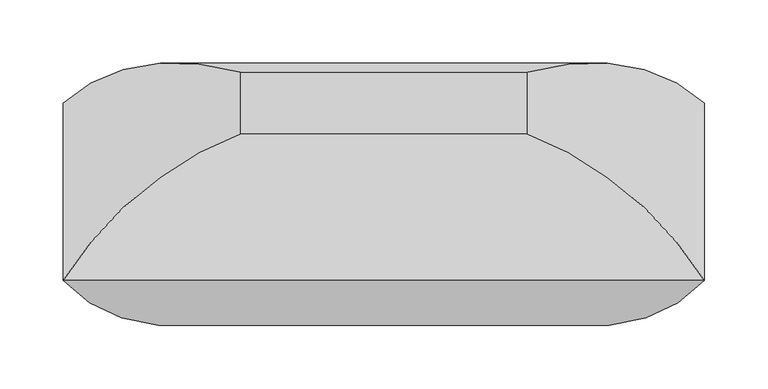
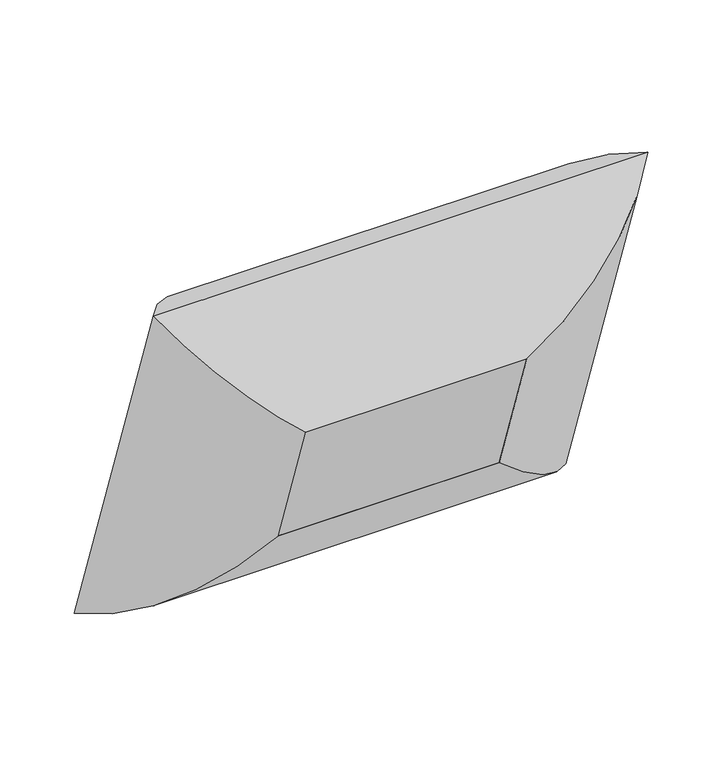
"""IFC4 building model written with IfcOpenShell, lengths in millimetres: furniture geometry."""

import ifcopenshell
import ifcopenshell.guid

model = None  # the IFC model being written
_history = None  # IfcOwnerHistory: only IFC2X3 demands one
_inside = {}  # id of a spatial element -> (the spatial element, [elements in it])
_under = {}  # id of a project, library or spatial element -> (it, [spatial elements below it])
_declared = {}  # id of a project -> (the project, [libraries it declares])
_typed = {}  # id of a type object -> (the type object, [elements of that type])
_made_of = {}  # id of a material, layer set ... -> (it, [elements and type objects made of it])


def new_model(schema):
    """Start an empty IFC model of exactly this schema.

    Asked for "IFC4X3", IfcOpenShell would pick the latest addendum, in which some entities
    have other attributes; the version numbers below select the first issue.
    IFC2X3 requires an IfcOwnerHistory on every rooted entity: one is made here for all.
    """
    global model, _history
    if schema == "IFC4X3":
        model = ifcopenshell.file(schema_version=(4, 3, 0, 0))
    else:
        model = ifcopenshell.file(schema=schema)
    _inside.clear()
    _under.clear()
    _declared.clear()
    _typed.clear()
    _made_of.clear()
    _history = None
    if model.schema == "IFC2X3":
        org = make("IfcOrganization", Name="unknown")
        user = make(
            "IfcPersonAndOrganization",
            ThePerson=make("IfcPerson", FamilyName="unknown"),
            TheOrganization=org,
        )
        app = make(
            "IfcApplication",
            ApplicationDeveloper=org,
            Version="unknown",
            ApplicationFullName="unknown",
            ApplicationIdentifier="unknown",
        )
        _history = make(
            "IfcOwnerHistory",
            OwningUser=user,
            OwningApplication=app,
            ChangeAction="ADDED",
            CreationDate=0,
        )
    return model


def make(cls, **values):
    """One entity of the class cls with the attributes given. An attribute that is None is left unset."""
    return model.create_entity(
        cls, **{name: value for name, value in values.items() if value is not None}
    )


def rooted(cls, **values):
    """An entity with a GlobalId (a new one), such as an element, a storey or a relation."""
    return make(cls, GlobalId=ifcopenshell.guid.new(), OwnerHistory=_history, **values)


def si_unit(unit_type, name, prefix=None):
    """IfcSIUnit, for example si_unit("LENGTHUNIT", "METRE", prefix="MILLI")."""
    return make("IfcSIUnit", UnitType=unit_type, Prefix=prefix, Name=name)


def assignment(units):
    """IfcUnitAssignment: the units of a project."""
    return None if units is None else make("IfcUnitAssignment", Units=units)


def point(xyz):
    """IfcCartesianPoint."""
    return None if xyz is None else make("IfcCartesianPoint", Coordinates=xyz)


def direction(xyz):
    """IfcDirection."""
    return None if xyz is None else make("IfcDirection", DirectionRatios=xyz)


def frame(location, z_axis=None, x_axis=None):
    """IfcAxis2Placement3D, a coordinate frame: its origin and axes. An axis left out is left unset."""
    return make(
        "IfcAxis2Placement3D",
        Location=point(location),
        Axis=direction(z_axis),
        RefDirection=direction(x_axis),
    )


def origin():
    """The frame at (0, 0, 0) with its axes left unset."""
    return frame((0.0, 0.0, 0.0))


def place(relative_to, where):
    """IfcLocalPlacement: puts the frame where relative to a parent placement (None: the world)."""
    return make(
        "IfcLocalPlacement", PlacementRelTo=relative_to, RelativePlacement=where
    )


def context(
    kind, dimensions, precision=None, world=None, true_north=None, identifier=None
):
    """IfcGeometricRepresentationContext, for example the 3D "Model" context."""
    return make(
        "IfcGeometricRepresentationContext",
        ContextIdentifier=identifier,
        ContextType=kind,
        CoordinateSpaceDimension=dimensions,
        Precision=precision,
        WorldCoordinateSystem=world,
        TrueNorth=true_north,
    )


def project(units=None, contexts=None):
    """IfcProject with its units and contexts."""
    return rooted(
        "IfcProject",
        Name="project",
        RepresentationContexts=contexts,
        UnitsInContext=assignment(units),
    )


def spatial(cls, under=None, at=None, **own):
    """A site, building, storey or space (cls), placed at a placement, below another one or the project."""
    s = rooted(cls, ObjectPlacement=at, **own)
    if under is not None:
        _under.setdefault(under.id(), (under, []))[1].append(s)
    return s


def polyline(points):
    """IfcPolyline through the points."""
    return make("IfcPolyline", Points=[point(p) for p in points])


def ellipse_curve(where, semi_axis1, semi_axis2):
    """IfcEllipse in the frame where."""
    return make(
        "IfcEllipse", Position=where, SemiAxis1=semi_axis1, SemiAxis2=semi_axis2
    )


def outline(outer, holes=None, kind="AREA"):
    """IfcArbitraryClosedProfileDef: a profile drawn as a closed curve; with holes, ...WithVoids."""
    if holes is None:
        return make("IfcArbitraryClosedProfileDef", ProfileType=kind, OuterCurve=outer)
    return make(
        "IfcArbitraryProfileDefWithVoids",
        ProfileType=kind,
        OuterCurve=outer,
        InnerCurves=holes,
    )


def extrude(swept, where, along, depth):
    """IfcExtrudedAreaSolid: the profile swept, set in the frame where, extruded along a direction by depth."""
    return make(
        "IfcExtrudedAreaSolid",
        SweptArea=swept,
        Position=where,
        ExtrudedDirection=direction(along),
        Depth=depth,
    )


def shape(context_of_items, identifier, shape_type, items):
    """IfcShapeRepresentation: the items that make up one representation, for example the "Body"."""
    return make(
        "IfcShapeRepresentation",
        ContextOfItems=context_of_items,
        RepresentationIdentifier=identifier,
        RepresentationType=shape_type,
        Items=items,
    )


def source(mapping_origin, context_of_items, identifier, shape_type, items):
    """IfcRepresentationMap: a shape defined once, which mapped items show again and again."""
    return make(
        "IfcRepresentationMap",
        MappingOrigin=mapping_origin,
        MappedRepresentation=shape(context_of_items, identifier, shape_type, items),
    )


def transform(
    local_origin,
    x_axis=None,
    y_axis=None,
    z_axis=None,
    scale=None,
    scale2=None,
    scale3=None,
    uniform=True,
):
    """IfcCartesianTransformationOperator3D, or its non-uniform kind. x_axis, y_axis, z_axis: its Axis1, 2, 3."""
    if uniform:
        return make(
            "IfcCartesianTransformationOperator3D",
            Axis1=direction(x_axis),
            Axis2=direction(y_axis),
            LocalOrigin=point(local_origin),
            Scale=scale,
            Axis3=direction(z_axis),
        )
    return make(
        "IfcCartesianTransformationOperator3DnonUniform",
        Axis1=direction(x_axis),
        Axis2=direction(y_axis),
        LocalOrigin=point(local_origin),
        Scale=scale,
        Axis3=direction(z_axis),
        Scale2=scale2,
        Scale3=scale3,
    )


def mapped(mapping_source, mapping_target):
    """IfcMappedItem: shows the shape of a source again, moved by a transform."""
    return make(
        "IfcMappedItem", MappingSource=mapping_source, MappingTarget=mapping_target
    )


def made_of(thing, what):
    """Note that an element or type object is made of a material, layer set ...; save() writes the relation."""
    if what is not None:
        _made_of.setdefault(what.id(), (what, []))[1].append(thing)
    return thing


def element(
    cls,
    number,
    at=None,
    inside=None,
    cuts=None,
    type_object=None,
    material=None,
    context=None,
    identifier="Body",
    shape_type=None,
    held_by="IfcProductDefinitionShape",
    body=None,
    shapes=None,
    **own,
):
    """One element of the class cls, such as IfcWall. Its Tag is "e" and its number.

    at: its placement. inside: the storey or other place that contains it. cuts: it is an
    opening in that element (IfcRelVoidsElement). A single representation is given by context,
    identifier, shape_type and body (its items); several are given by shapes. held_by: the class
    of the entity that holds the representations. save() writes the other relations.
    """
    e = rooted(cls, Tag="e%d" % number, ObjectPlacement=at, **own)
    if body is not None:
        shapes = [shape(context, identifier, shape_type, body)]
    if shapes is not None:
        e.Representation = make(held_by, Representations=shapes)
    if inside is not None:
        _inside.setdefault(inside.id(), (inside, []))[1].append(e)
    if cuts is not None:
        rooted(
            "IfcRelVoidsElement", RelatingBuildingElement=cuts, RelatedOpeningElement=e
        )
    if type_object is not None:
        _typed.setdefault(type_object.id(), (type_object, []))[1].append(e)
    return made_of(e, material)


def aggregate(whole, parts):
    """IfcRelAggregates: a whole, such as a stair, and the parts it consists of."""
    return rooted("IfcRelAggregates", RelatingObject=whole, RelatedObjects=parts)


def save(model, path):
    """Write the relations noted so far, then the file.

    IfcRelAggregates (storeys below a building ...), IfcRelContainedInSpatialStructure (elements
    in a storey), IfcRelDefinesByType, IfcRelAssociatesMaterial and IfcRelDeclares: one each for
    every whole, place, type object, material and project.
    """
    for whole, parts in _under.values():
        aggregate(whole, parts)
    for where, things in _inside.values():
        rooted(
            "IfcRelContainedInSpatialStructure",
            RelatedElements=things,
            RelatingStructure=where,
        )
    for kind, things in _typed.values():
        rooted("IfcRelDefinesByType", RelatedObjects=things, RelatingType=kind)
    for what, things in _made_of.values():
        rooted("IfcRelAssociatesMaterial", RelatedObjects=things, RelatingMaterial=what)
    for by, libraries in _declared.values():
        rooted("IfcRelDeclares", RelatingContext=by, RelatedDefinitions=libraries)
    model.write(path)


def plane_surface(at):
    """IfcPlane: the flat surface through the origin of the frame at, square to its z axis."""
    return make("IfcPlane", Position=at)


def cylinder_surface(at, radius):
    """IfcCylindricalSurface: all points at the distance radius from the z axis of the frame at."""
    return make("IfcCylindricalSurface", Position=at, Radius=radius)


def advanced_brep(points, edges, surfaces, faces):
    """IfcAdvancedBrep: a solid bounded by faces that lie on surfaces and meet in shared edges.

    An edge is (start, end): straight between two places in points (the first is 0);
    or (start, end, curve); or (start, end, curve, False) where it runs against its curve.
    A face is (place in surfaces, loops), or (place, loops, False) where it looks against
    its surface's normal. A loop lists edges by number (the first is 1), with a minus sign
    where the edge is run from its end to its start. The first loop is the outer one.
    """
    corners = [point(p) for p in points]
    vertices = [make("IfcVertexPoint", VertexGeometry=c) for c in corners]
    made = []
    for start, end, *more in edges:
        made.append(
            make(
                "IfcEdgeCurve",
                EdgeStart=vertices[start],
                EdgeEnd=vertices[end],
                EdgeGeometry=more[0] if more else make("IfcPolyline", Points=[corners[start], corners[end]]),
                SameSense=more[1] if len(more) > 1 else True,
            )
        )
    hull = []
    for where, loops, *sense in faces:
        bounds = []
        for j, loop in enumerate(loops):
            ring = [make("IfcOrientedEdge", EdgeElement=made[abs(k) - 1], Orientation=k > 0) for k in loop]
            bounds.append(
                make(
                    "IfcFaceOuterBound" if j == 0 else "IfcFaceBound",
                    Bound=make("IfcEdgeLoop", EdgeList=ring),
                    Orientation=True,
                )
            )
        hull.append(make("IfcAdvancedFace", Bounds=bounds, FaceSurface=surfaces[where], SameSense=sense[0] if sense else True))
    return make("IfcAdvancedBrep", Outer=make("IfcClosedShell", CfsFaces=hull))


def furniture_6c6e9100(model_context):
    return source(origin(), model_context, "Body", "SolidModel", [
        advanced_brep(
        [(-113.50625, -168.3628069, 681.5749575), (-253.6741804, -140.3681761, 839.4587839), (-253.6741804, 0.0, 431.8), (-113.50625, -119.2630596, 538.9789373), (-113.50625, -24.265776, 731.1915443), (-113.50625, 24.8339713, 588.5955241), (253.6741804, 0.0, 431.8), (113.50625, -119.2630596, 538.9789373), (113.50625, 24.8339713, 588.5955241), (253.6741804, -140.3681761, 839.4587839), (113.50625, -168.3628069, 681.5749575), (113.50625, -24.265776, 731.1915443)],
        [
            (0, 1, ellipse_curve(frame((-108.726504, -2.5797167, 733.6034951), z_axis=(-0.7071067811865478, 0.2302114497550402, -0.6685825965441236), x_axis=(-0.7071067811865474, -0.23021144975504026, 0.6685825965441239)), 245.7274984, 173.7555804)),
            (1, 2),
            (2, 3, ellipse_curve(frame((-108.726504, 43.4077645, 600.0461521), z_axis=(-0.7071067811865472, -0.23021144975504026, 0.6685825965441239), x_axis=(0.7071067811865475, -0.23021144975504026, 0.6685825965441238)), 245.7274984, 173.7555804)),
            (3, 0),
            (4, 0),
            (3, 5),
            (5, 4),
            (1, 4, ellipse_curve(frame((-104.3179464, -197.4752978, 661.8329831), z_axis=(-0.7071067811865478, 0.2302114497550402, -0.6685825965441236), x_axis=(-0.7071067811865474, -0.23021144975504026, 0.6685825965441239)), 263.8641638, 186.5801395)),
            (5, 2, ellipse_curve(frame((-104.3179464, -154.3583886, 536.6123863), z_axis=(-0.7071067811865472, -0.23021144975504026, 0.6685825965441239), x_axis=(0.7071067811865475, -0.23021144975504026, 0.6685825965441238)), 263.8641638, 186.5801395)),
            (2, 6),
            (6, 7, ellipse_curve(frame((108.726504, 43.4077645, 600.0461521), z_axis=(-0.7071067811865477, 0.23021144975504024, -0.6685825965441236), x_axis=(-0.7071067811865475, -0.23021144975504026, 0.6685825965441239)), 245.7274984, 173.7555804)),
            (7, 3),
            (7, 8),
            (8, 5),
            (8, 6, ellipse_curve(frame((104.3179464, -154.3583886, 536.6123863), z_axis=(-0.7071067811865477, 0.23021144975504024, -0.6685825965441236), x_axis=(-0.7071067811865475, -0.23021144975504026, 0.6685825965441239)), 263.8641638, 186.5801395)),
            (6, 9),
            (9, 10, ellipse_curve(frame((108.726504, -2.5797167, 733.6034951), z_axis=(0.7071067811865472, 0.23021144975504035, -0.668582596544124), x_axis=(-0.7071067811865478, 0.23021144975504015, -0.6685825965441234)), 245.7274984, 173.7555804)),
            (10, 7),
            (10, 11),
            (11, 8),
            (11, 9, ellipse_curve(frame((104.3179464, -197.4752978, 661.8329831), z_axis=(0.7071067811865472, 0.23021144975504035, -0.668582596544124), x_axis=(-0.7071067811865478, 0.23021144975504015, -0.6685825965441234)), 263.8641638, 186.5801395)),
            (9, 1),
            (0, 10),
            (4, 11),
        ],
        [
            cylinder_surface(frame((-108.726504, -4.1358497, 738.1228337), z_axis=(0.0, -0.32556815445715026, 0.945518575599319), x_axis=(0.0, -0.945518575599319, -0.32556815445715026)), 173.7555804),
            plane_surface(frame((-113.50625, -168.3628069, 681.5749575), z_axis=(1.0, 0.0, 0.0), x_axis=(0.0, 0.3255681544571506, -0.945518575599319))),
            cylinder_surface(frame((-104.3179464, -200.4667169, 670.5206948), z_axis=(0.0, -0.32556815445715026, 0.945518575599319), x_axis=(0.0, -0.945518575599319, -0.32556815445715026)), 186.5801395),
            cylinder_surface(frame((-113.50625, 43.4077645, 600.0461521), z_axis=(-1.0, 0.0, 0.0), x_axis=(0.0, -0.9455185755993188, -0.3255681544571507)), 173.7555804),
            plane_surface(frame((-113.50625, -119.2630596, 538.9789373), z_axis=(0.0, -0.32556815445715065, 0.945518575599319), x_axis=(1.0, 0.0, 0.0))),
            cylinder_surface(frame((-113.50625, -154.3583886, 536.6123863), z_axis=(-1.0, 0.0, 0.0), x_axis=(0.0, -0.9455185755993188, -0.3255681544571507)), 186.5801395),
            cylinder_surface(frame((108.726504, 44.9638976, 595.5268135), z_axis=(0.0, 0.3255681544571503, -0.9455185755993191), x_axis=(0.0, -0.9455185755993191, -0.3255681544571503)), 173.7555804),
            plane_surface(frame((113.50625, -119.2630596, 538.9789373), z_axis=(-1.0, 0.0, 0.0), x_axis=(0.0, -0.32556815445715065, 0.945518575599319))),
            cylinder_surface(frame((104.3179464, -151.3669696, 527.9246746), z_axis=(0.0, 0.3255681544571503, -0.9455185755993191), x_axis=(0.0, -0.9455185755993191, -0.3255681544571503)), 186.5801395),
            cylinder_surface(frame((113.50625, -2.5797167, 733.6034951), z_axis=(1.0000000000000002, 0.0, 0.0), x_axis=(0.0, -0.9455185755993192, -0.32556815445715004)), 173.7555804),
            plane_surface(frame((113.50625, -168.3628069, 681.5749575), z_axis=(0.0, 0.32556815445715015, -0.9455185755993192), x_axis=(-1.0, 0.0, 0.0))),
            cylinder_surface(frame((113.50625, -197.4752978, 661.8329831), z_axis=(1.0000000000000002, 0.0, 0.0), x_axis=(0.0, -0.9455185755993192, -0.32556815445715004)), 186.5801395),
        ],
        [
            (0, [[1, 2, 3, 4]]),
            (1, [[5, -4, 6, 7]]),
            (2, [[8, -7, 9, -2]]),
            (3, [[-3, 10, 11, 12]]),
            (4, [[-6, -12, 13, 14]]),
            (5, [[-9, -14, 15, -10]]),
            (6, [[-11, 16, 17, 18]]),
            (7, [[-13, -18, 19, 20]]),
            (8, [[-15, -20, 21, -16]]),
            (9, [[-17, 22, -1, 23]]),
            (10, [[-19, -23, -5, 24]]),
            (11, [[-21, -24, -8, -22]]),
        ],
    ),
        extrude(outline(polyline([(0.0, -227.0125), (0.0, 0.0), (152.4, 0.0), (152.4, -227.0125), (0.0, -227.0125)])), frame((-113.50625, -119.2630596, 538.9789373), z_axis=(0.0, -0.32556815445715037, 0.9455185755993191), x_axis=(0.0, 0.9455185755993191, 0.32556815445715037)), (0.0, 0.0, 1.0), 150.8125),
    ])


if __name__ == "__main__":
    model = new_model("IFC4")
    model_context = context("Model", 3, world=origin())
    ifc_project = project(units=[si_unit("LENGTHUNIT", "METRE", prefix="MILLI")], contexts=[model_context])
    site = spatial("IfcSite", under=ifc_project)
    building = spatial("IfcBuilding", under=site)
    placement = place(None, origin())
    furniture_shape = furniture_6c6e9100(model_context)
    element("IfcFurniture", 1, at=placement, inside=building, context=model_context, shape_type="MappedRepresentation", body=[
        mapped(furniture_shape, transform((0.0, 0.0, 0.0), x_axis=(1.0, 0.0, 0.0), y_axis=(0.0, 1.0, 0.0), z_axis=(0.0, 0.0, 1.0))),
    ])
    save(model, "model.ifc")
